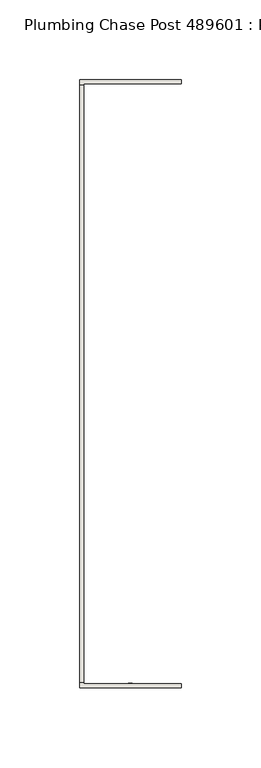
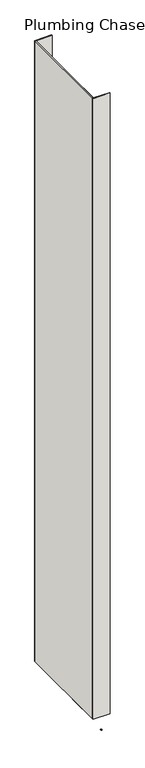
"""IFC4 building model written with IfcOpenShell, lengths in millimetres: wall geometry, Plumbing Chase Post 489601 : Plumbing Chase Post 489601."""

from ifc_helpers import new_model, si_unit, frame, origin, place, context, project, spatial, polyline, outline, extrude, source, transform, mapped, element, save


def plumbing_chase_post_489601_plumbing_chase_post_489601_6ce20397(model_context):
    return source(origin(), model_context, "Body", "SweptSolid", [
        extrude(outline(polyline([(59186.482211, -47649.9299476), (59186.482211, -47652.4699476), (59183.942211, -47652.4699476), (59183.942211, -47649.9299476), (59186.482211, -47649.9299476)])), frame((0.0, 0.0, 4419.6), z_axis=(0.0, 0.0, 1.0), x_axis=(1.0, 0.0, 0.0)), (0.0, 0.0, 1.0), 2.54),
        extrude(outline(polyline([(59153.1955618, -47649.7643904), (59153.1955618, -47274.1748952), (59155.8620538, -47274.1748952), (59155.8620538, -47649.7643904), (59153.1955618, -47649.7643904)])), frame((0.0, 0.0, 4474.8958), z_axis=(0.0, 0.0, 1.0), x_axis=(1.0, 0.0, 0.0)), (0.0, 0.0, 1.0), 2481.1482254),
        extrude(outline(polyline([(59153.1955618, -47649.7643904), (59153.1955618, -47274.1748952), (59155.8620538, -47274.1748952), (59155.8620538, -47649.7643904), (59153.1955618, -47649.7643904)])), frame((0.0, 0.0, 4474.8958), z_axis=(0.0, 0.0, 1.0), x_axis=(1.0, 0.0, 0.0)), (0.0, 0.0, 1.0), 2481.1482254),
        extrude(outline(polyline([(59153.1955618, -47653.2184348), (59153.1955618, -47519.8684348), (59155.8620538, -47519.8684348), (59155.8620538, -47650.5519174), (59217.2040444, -47650.5519174), (59217.2040444, -47653.2184348), (59153.1955618, -47653.2184348)])), frame((0.0, 0.0, 4474.8958), z_axis=(0.0, 0.0, 1.0), x_axis=(1.0, 0.0, 0.0)), (0.0, 0.0, 1.0), 2481.1482254),
        extrude(outline(polyline([(59153.1955618, -47653.2184348), (59153.1955618, -47519.8684348), (59155.8620538, -47519.8684348), (59155.8620538, -47650.5519174), (59217.2040444, -47650.5519174), (59217.2040444, -47653.2184348), (59153.1955618, -47653.2184348)])), frame((0.0, 0.0, 4474.8958), z_axis=(0.0, 0.0, 1.0), x_axis=(1.0, 0.0, 0.0)), (0.0, 0.0, 1.0), 2481.1482254),
        extrude(outline(polyline([(59155.8620538, -47404.0708508), (59153.1955618, -47404.0708508), (59153.1955618, -47270.7208508), (59217.2040444, -47270.7208508), (59217.2040444, -47273.3873428), (59155.8620538, -47273.3873428), (59155.8620538, -47404.0708508)])), frame((0.0, 0.0, 4474.8958), z_axis=(0.0, 0.0, 1.0), x_axis=(1.0, 0.0, 0.0)), (0.0, 0.0, 1.0), 2481.1482254),
        extrude(outline(polyline([(59155.8620538, -47404.0708508), (59153.1955618, -47404.0708508), (59153.1955618, -47270.7208508), (59217.2040444, -47270.7208508), (59217.2040444, -47273.3873428), (59155.8620538, -47273.3873428), (59155.8620538, -47404.0708508)])), frame((0.0, 0.0, 4474.8958), z_axis=(0.0, 0.0, 1.0), x_axis=(1.0, 0.0, 0.0)), (0.0, 0.0, 1.0), 2481.1482254),
    ])


if __name__ == "__main__":
    model = new_model("IFC4")
    model_context = context("Model", 3, world=origin())
    ifc_project = project(units=[si_unit("LENGTHUNIT", "METRE", prefix="MILLI")], contexts=[model_context])
    site = spatial("IfcSite", under=ifc_project)
    building = spatial("IfcBuilding", under=site)
    placement = place(None, origin())
    plumbing_chase_post_489601_plumbing_chase_post_489601_shape = plumbing_chase_post_489601_plumbing_chase_post_489601_6ce20397(model_context)
    element("IfcWall", 1, ObjectType="Plumbing Chase Post 489601 : Plumbing Chase Post 489601", at=placement, inside=building, context=model_context, shape_type="MappedRepresentation", body=[
        mapped(plumbing_chase_post_489601_plumbing_chase_post_489601_shape, transform((0.0, 0.0, 0.0), x_axis=(1.0, 0.0, 0.0), y_axis=(0.0, 1.0, 0.0), z_axis=(0.0, 0.0, 1.0))),
    ])
    save(model, "model.ifc")
